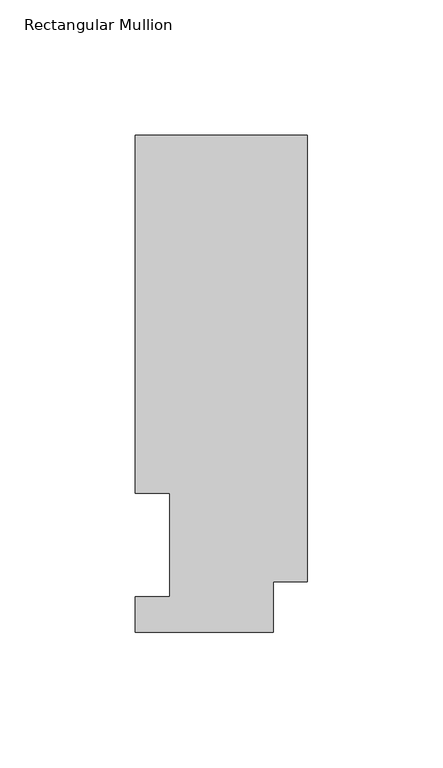
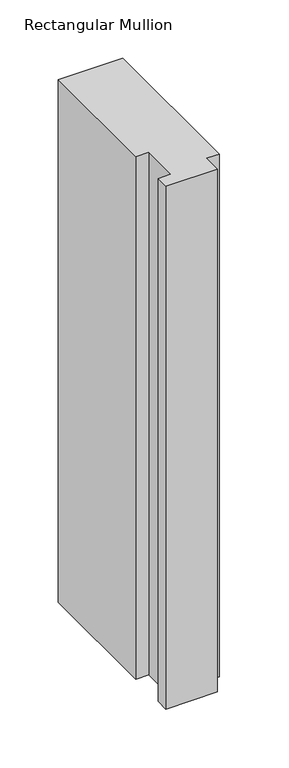
"""IFC4 building model written with IfcOpenShell, lengths in millimetres: member geometry, Rectangular Mullion."""

from ifc_helpers import new_model, si_unit, frame, origin, place, context, project, spatial, polyline, outline, extrude, source, transform, mapped, element, save


def rectangular_mullion_4a1e9850(model_context):
    return source(origin(), model_context, "Body", "SweptSolid", [
        extrude(outline(polyline([(0.0, 18.7332937), (-12.7, 18.7332937), (-12.7, 0.0134937), (-63.5, 0.0134937), (-63.5, 13.1960938), (-50.8, 13.1960938), (-50.8, 51.2960937), (-63.5, 51.2960937), (-63.5, 183.4446737), (0.0, 183.4446737), (0.0, 18.7332937)])), frame((0.0, 0.0, -546.112667), z_axis=(0.0, 0.0, 1.0), x_axis=(1.0, 0.0, 0.0)), (0.0, 0.0, 1.0), 546.112667),
    ])


if __name__ == "__main__":
    model = new_model("IFC4")
    model_context = context("Model", 3, world=origin())
    ifc_project = project(units=[si_unit("LENGTHUNIT", "METRE", prefix="MILLI")], contexts=[model_context])
    site = spatial("IfcSite", under=ifc_project)
    building = spatial("IfcBuilding", under=site)
    placement = place(None, origin())
    rectangular_mullion_shape = rectangular_mullion_4a1e9850(model_context)
    element("IfcMember", 1, ObjectType="Rectangular Mullion", at=placement, inside=building, context=model_context, shape_type="MappedRepresentation", body=[
        mapped(rectangular_mullion_shape, transform((0.0, 0.0, 0.0), x_axis=(1.0, 0.0, 0.0), y_axis=(0.0, 1.0, 0.0), z_axis=(0.0, 0.0, 1.0))),
    ])
    save(model, "model.ifc")
